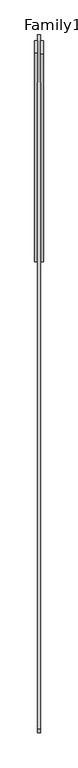
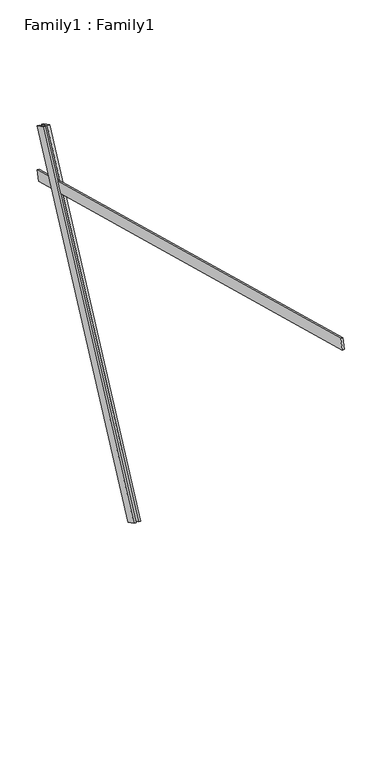
"""IFC4 building model written with IfcOpenShell, lengths in millimetres: proxy geometry, Family1 : Family1."""

import ifcopenshell
import ifcopenshell.guid

model = None  # the IFC model being written
_history = None  # IfcOwnerHistory: only IFC2X3 demands one
_inside = {}  # id of a spatial element -> (the spatial element, [elements in it])
_under = {}  # id of a project, library or spatial element -> (it, [spatial elements below it])
_declared = {}  # id of a project -> (the project, [libraries it declares])
_typed = {}  # id of a type object -> (the type object, [elements of that type])
_made_of = {}  # id of a material, layer set ... -> (it, [elements and type objects made of it])


def new_model(schema):
    """Start an empty IFC model of exactly this schema.

    Asked for "IFC4X3", IfcOpenShell would pick the latest addendum, in which some entities
    have other attributes; the version numbers below select the first issue.
    IFC2X3 requires an IfcOwnerHistory on every rooted entity: one is made here for all.
    """
    global model, _history
    if schema == "IFC4X3":
        model = ifcopenshell.file(schema_version=(4, 3, 0, 0))
    else:
        model = ifcopenshell.file(schema=schema)
    _inside.clear()
    _under.clear()
    _declared.clear()
    _typed.clear()
    _made_of.clear()
    _history = None
    if model.schema == "IFC2X3":
        org = make("IfcOrganization", Name="unknown")
        user = make(
            "IfcPersonAndOrganization",
            ThePerson=make("IfcPerson", FamilyName="unknown"),
            TheOrganization=org,
        )
        app = make(
            "IfcApplication",
            ApplicationDeveloper=org,
            Version="unknown",
            ApplicationFullName="unknown",
            ApplicationIdentifier="unknown",
        )
        _history = make(
            "IfcOwnerHistory",
            OwningUser=user,
            OwningApplication=app,
            ChangeAction="ADDED",
            CreationDate=0,
        )
    return model


def make(cls, **values):
    """One entity of the class cls with the attributes given. An attribute that is None is left unset."""
    return model.create_entity(
        cls, **{name: value for name, value in values.items() if value is not None}
    )


def rooted(cls, **values):
    """An entity with a GlobalId (a new one), such as an element, a storey or a relation."""
    return make(cls, GlobalId=ifcopenshell.guid.new(), OwnerHistory=_history, **values)


def si_unit(unit_type, name, prefix=None):
    """IfcSIUnit, for example si_unit("LENGTHUNIT", "METRE", prefix="MILLI")."""
    return make("IfcSIUnit", UnitType=unit_type, Prefix=prefix, Name=name)


def assignment(units):
    """IfcUnitAssignment: the units of a project."""
    return None if units is None else make("IfcUnitAssignment", Units=units)


def point(xyz):
    """IfcCartesianPoint."""
    return None if xyz is None else make("IfcCartesianPoint", Coordinates=xyz)


def direction(xyz):
    """IfcDirection."""
    return None if xyz is None else make("IfcDirection", DirectionRatios=xyz)


def frame(location, z_axis=None, x_axis=None):
    """IfcAxis2Placement3D, a coordinate frame: its origin and axes. An axis left out is left unset."""
    return make(
        "IfcAxis2Placement3D",
        Location=point(location),
        Axis=direction(z_axis),
        RefDirection=direction(x_axis),
    )


def origin():
    """The frame at (0, 0, 0) with its axes left unset."""
    return frame((0.0, 0.0, 0.0))


def place(relative_to, where):
    """IfcLocalPlacement: puts the frame where relative to a parent placement (None: the world)."""
    return make(
        "IfcLocalPlacement", PlacementRelTo=relative_to, RelativePlacement=where
    )


def context(
    kind, dimensions, precision=None, world=None, true_north=None, identifier=None
):
    """IfcGeometricRepresentationContext, for example the 3D "Model" context."""
    return make(
        "IfcGeometricRepresentationContext",
        ContextIdentifier=identifier,
        ContextType=kind,
        CoordinateSpaceDimension=dimensions,
        Precision=precision,
        WorldCoordinateSystem=world,
        TrueNorth=true_north,
    )


def project(units=None, contexts=None):
    """IfcProject with its units and contexts."""
    return rooted(
        "IfcProject",
        Name="project",
        RepresentationContexts=contexts,
        UnitsInContext=assignment(units),
    )


def spatial(cls, under=None, at=None, **own):
    """A site, building, storey or space (cls), placed at a placement, below another one or the project."""
    s = rooted(cls, ObjectPlacement=at, **own)
    if under is not None:
        _under.setdefault(under.id(), (under, []))[1].append(s)
    return s


def polyline(points):
    """IfcPolyline through the points."""
    return make("IfcPolyline", Points=[point(p) for p in points])


def outline(outer, holes=None, kind="AREA"):
    """IfcArbitraryClosedProfileDef: a profile drawn as a closed curve; with holes, ...WithVoids."""
    if holes is None:
        return make("IfcArbitraryClosedProfileDef", ProfileType=kind, OuterCurve=outer)
    return make(
        "IfcArbitraryProfileDefWithVoids",
        ProfileType=kind,
        OuterCurve=outer,
        InnerCurves=holes,
    )


def extrude(swept, where, along, depth):
    """IfcExtrudedAreaSolid: the profile swept, set in the frame where, extruded along a direction by depth."""
    return make(
        "IfcExtrudedAreaSolid",
        SweptArea=swept,
        Position=where,
        ExtrudedDirection=direction(along),
        Depth=depth,
    )


def shape(context_of_items, identifier, shape_type, items):
    """IfcShapeRepresentation: the items that make up one representation, for example the "Body"."""
    return make(
        "IfcShapeRepresentation",
        ContextOfItems=context_of_items,
        RepresentationIdentifier=identifier,
        RepresentationType=shape_type,
        Items=items,
    )


def source(mapping_origin, context_of_items, identifier, shape_type, items):
    """IfcRepresentationMap: a shape defined once, which mapped items show again and again."""
    return make(
        "IfcRepresentationMap",
        MappingOrigin=mapping_origin,
        MappedRepresentation=shape(context_of_items, identifier, shape_type, items),
    )


def transform(
    local_origin,
    x_axis=None,
    y_axis=None,
    z_axis=None,
    scale=None,
    scale2=None,
    scale3=None,
    uniform=True,
):
    """IfcCartesianTransformationOperator3D, or its non-uniform kind. x_axis, y_axis, z_axis: its Axis1, 2, 3."""
    if uniform:
        return make(
            "IfcCartesianTransformationOperator3D",
            Axis1=direction(x_axis),
            Axis2=direction(y_axis),
            LocalOrigin=point(local_origin),
            Scale=scale,
            Axis3=direction(z_axis),
        )
    return make(
        "IfcCartesianTransformationOperator3DnonUniform",
        Axis1=direction(x_axis),
        Axis2=direction(y_axis),
        LocalOrigin=point(local_origin),
        Scale=scale,
        Axis3=direction(z_axis),
        Scale2=scale2,
        Scale3=scale3,
    )


def mapped(mapping_source, mapping_target):
    """IfcMappedItem: shows the shape of a source again, moved by a transform."""
    return make(
        "IfcMappedItem", MappingSource=mapping_source, MappingTarget=mapping_target
    )


def made_of(thing, what):
    """Note that an element or type object is made of a material, layer set ...; save() writes the relation."""
    if what is not None:
        _made_of.setdefault(what.id(), (what, []))[1].append(thing)
    return thing


def element(
    cls,
    number,
    at=None,
    inside=None,
    cuts=None,
    type_object=None,
    material=None,
    context=None,
    identifier="Body",
    shape_type=None,
    held_by="IfcProductDefinitionShape",
    body=None,
    shapes=None,
    **own,
):
    """One element of the class cls, such as IfcWall. Its Tag is "e" and its number.

    at: its placement. inside: the storey or other place that contains it. cuts: it is an
    opening in that element (IfcRelVoidsElement). A single representation is given by context,
    identifier, shape_type and body (its items); several are given by shapes. held_by: the class
    of the entity that holds the representations. save() writes the other relations.
    """
    e = rooted(cls, Tag="e%d" % number, ObjectPlacement=at, **own)
    if body is not None:
        shapes = [shape(context, identifier, shape_type, body)]
    if shapes is not None:
        e.Representation = make(held_by, Representations=shapes)
    if inside is not None:
        _inside.setdefault(inside.id(), (inside, []))[1].append(e)
    if cuts is not None:
        rooted(
            "IfcRelVoidsElement", RelatingBuildingElement=cuts, RelatedOpeningElement=e
        )
    if type_object is not None:
        _typed.setdefault(type_object.id(), (type_object, []))[1].append(e)
    return made_of(e, material)


def aggregate(whole, parts):
    """IfcRelAggregates: a whole, such as a stair, and the parts it consists of."""
    return rooted("IfcRelAggregates", RelatingObject=whole, RelatedObjects=parts)


def save(model, path):
    """Write the relations noted so far, then the file.

    IfcRelAggregates (storeys below a building ...), IfcRelContainedInSpatialStructure (elements
    in a storey), IfcRelDefinesByType, IfcRelAssociatesMaterial and IfcRelDeclares: one each for
    every whole, place, type object, material and project.
    """
    for whole, parts in _under.values():
        aggregate(whole, parts)
    for where, things in _inside.values():
        rooted(
            "IfcRelContainedInSpatialStructure",
            RelatedElements=things,
            RelatingStructure=where,
        )
    for kind, things in _typed.values():
        rooted("IfcRelDefinesByType", RelatedObjects=things, RelatingType=kind)
    for what, things in _made_of.values():
        rooted("IfcRelAssociatesMaterial", RelatedObjects=things, RelatingMaterial=what)
    for by, libraries in _declared.values():
        rooted("IfcRelDeclares", RelatingContext=by, RelatedDefinitions=libraries)
    model.write(path)


def family1_family1_ed6567e5(model_context):
    return source(origin(), model_context, "Body", "SweptSolid", [
        extrude(outline(polyline([(0.0, 0.0), (0.0, -20.0), (-100.0000001, -20.0), (-100.0000001, 0.0), (0.0, 0.0)])), frame((-30.0, 46.3241747, -22.5938096), z_axis=(0.0, 0.4383711467890692, 0.8987940462991711), x_axis=(0.0, 0.8987940462991711, -0.4383711467890692)), (0.0, 0.0, 1.0), 3300.0),
        extrude(outline(polyline([(0.0, 0.0), (0.0, -20.0), (-99.9999999, -20.0), (-99.9999999, 0.0), (0.0, 0.0)])), frame((10.0, 45.270232, -22.0797674), z_axis=(0.0, 0.4383711467890692, 0.8987940462991711), x_axis=(0.0, 0.8987940462991711, -0.4383711467890692)), (0.0, 0.0, 1.0), 3300.0),
        extrude(outline(polyline([(0.0, -20.0), (0.0, 0.0), (5000.0, 0.0), (5000.0, -20.0), (0.0, -20.0)])), frame((-10.0, -3323.6747845, 3684.3268404), z_axis=(0.0, 0.2588190451025232, 0.9659258262890676), x_axis=(0.0, 0.9659258262890676, -0.2588190451025232)), (0.0, 0.0, 1.0), 100.0),
    ])


if __name__ == "__main__":
    model = new_model("IFC4")
    model_context = context("Model", 3, world=origin())
    ifc_project = project(units=[si_unit("LENGTHUNIT", "METRE", prefix="MILLI")], contexts=[model_context])
    site = spatial("IfcSite", under=ifc_project)
    building = spatial("IfcBuilding", under=site)
    placement = place(None, origin())
    family1_family1_shape = family1_family1_ed6567e5(model_context)
    element("IfcBuildingElementProxy", 1, Name="Family1 : Family1", ObjectType="Family1 : Family1", at=placement, inside=building, context=model_context, shape_type="MappedRepresentation", body=[
        mapped(family1_family1_shape, transform((0.0, 0.0, 0.0), x_axis=(1.0, 0.0, 0.0), y_axis=(0.0, 1.0, 0.0), z_axis=(0.0, 0.0, 1.0))),
    ])
    save(model, "model.ifc")
